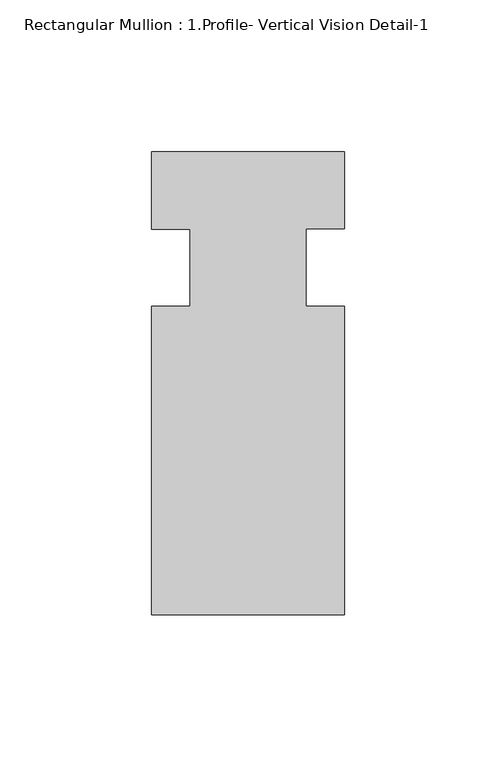
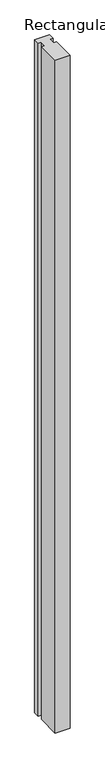
"""IFC4 building model written with IfcOpenShell, lengths in millimetres: member geometry, Rectangular Mullion : 1.Profile- Vertical Vision Detail-1."""

from ifc_helpers import new_model, si_unit, frame, origin, place, context, project, spatial, polyline, outline, extrude, source, transform, mapped, element, save


def rectangular_mullion_1_profile_vertical_vision_detail_1_54165b8f(model_context):
    return source(origin(), model_context, "Body", "SweptSolid", [
        extrude(outline(polyline([(-63.5, 38.5311126), (-50.8, 38.5311126), (-50.8, 63.9103778), (-63.5, 63.9103778), (-63.5, 89.3311126), (0.0, 89.3311126), (0.0, 63.9227802), (-12.7, 63.9227802), (-12.7, 38.5311126), (0.0, 38.5311126), (0.0, -63.0688874), (-63.5, -63.0688874), (-63.5, 38.5311126)])), frame((0.0, 0.0, -3048.0), z_axis=(0.0, 0.0, 1.0), x_axis=(1.0, 0.0, 0.0)), (0.0, 0.0, 1.0), 3048.0),
    ])


if __name__ == "__main__":
    model = new_model("IFC4")
    model_context = context("Model", 3, world=origin())
    ifc_project = project(units=[si_unit("LENGTHUNIT", "METRE", prefix="MILLI")], contexts=[model_context])
    site = spatial("IfcSite", under=ifc_project)
    building = spatial("IfcBuilding", under=site)
    placement = place(None, origin())
    rectangular_mullion_1_profile_vertical_vision_detail_1_shape = rectangular_mullion_1_profile_vertical_vision_detail_1_54165b8f(model_context)
    element("IfcMember", 1, ObjectType="Rectangular Mullion : 1.Profile- Vertical Vision Detail-1", at=placement, inside=building, context=model_context, shape_type="MappedRepresentation", body=[
        mapped(rectangular_mullion_1_profile_vertical_vision_detail_1_shape, transform((0.0, 0.0, 0.0), x_axis=(1.0, 0.0, 0.0), y_axis=(0.0, 1.0, 0.0), z_axis=(0.0, 0.0, 1.0))),
    ])
    save(model, "model.ifc")
